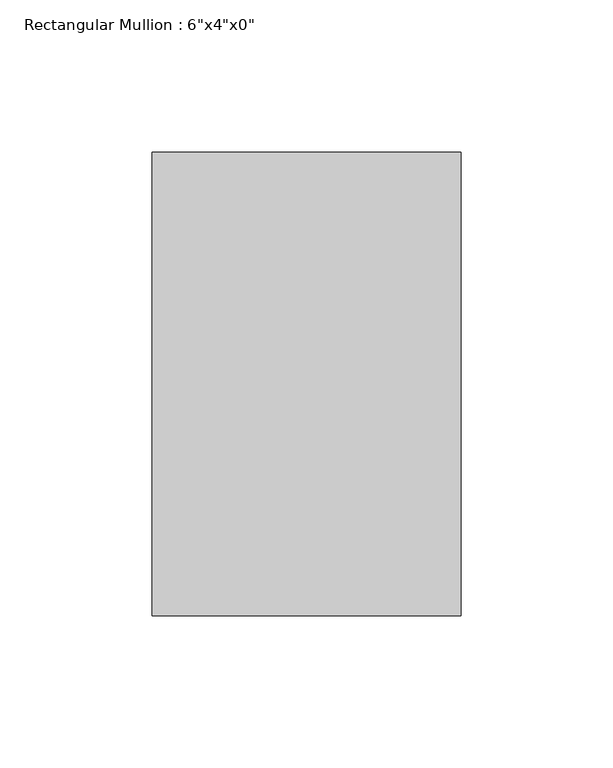
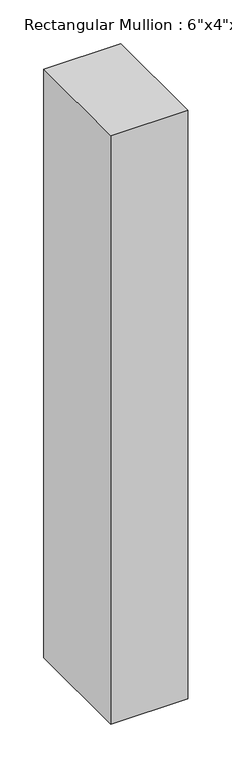
"""IFC4 building model written with IfcOpenShell, lengths in millimetres: member geometry."""

from ifc_helpers import new_model, si_unit, frame, origin, place, context, project, spatial, polyline, outline, extrude, source, transform, mapped, element, save


def member_0e5cb63a(model_context):
    return source(origin(), model_context, "Body", "SweptSolid", [
        extrude(outline(polyline([(0.0, 76.2), (0.0, -76.2), (-101.6, -76.2), (-101.6, 76.2), (0.0, 76.2)])), frame((0.0, 0.0, -819.15), z_axis=(0.0, 0.0, 1.0), x_axis=(1.0, 0.0, 0.0)), (0.0, 0.0, 1.0), 819.15),
    ])


if __name__ == "__main__":
    model = new_model("IFC4")
    model_context = context("Model", 3, world=origin())
    ifc_project = project(units=[si_unit("LENGTHUNIT", "METRE", prefix="MILLI")], contexts=[model_context])
    site = spatial("IfcSite", under=ifc_project)
    building = spatial("IfcBuilding", under=site)
    placement = place(None, origin())
    member_shape = member_0e5cb63a(model_context)
    element("IfcMember", 1, ObjectType="Rectangular Mullion : 6\"x4\"x0\"", at=placement, inside=building, context=model_context, shape_type="MappedRepresentation", body=[
        mapped(member_shape, transform((0.0, 0.0, 0.0), x_axis=(1.0, 0.0, 0.0), y_axis=(0.0, 1.0, 0.0), z_axis=(0.0, 0.0, 1.0))),
    ])
    save(model, "model.ifc")
